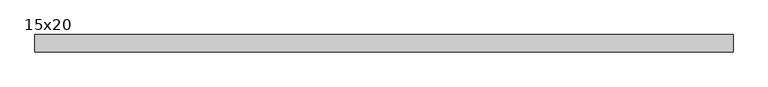
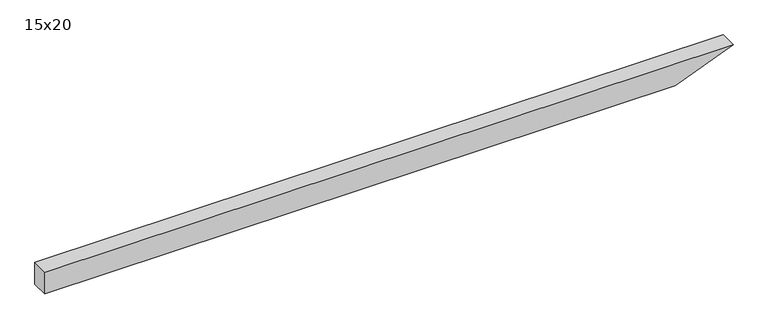
"""IFC4 building model written with IfcOpenShell, lengths in millimetres: beam geometry, 15x20."""

from ifc_helpers import new_model, si_unit, frame, origin, place, context, project, spatial, polyline, outline, extrude, source, transform, mapped, element, save


def beam_15x20_31fa0ad0(model_context):
    return source(origin(), model_context, "Body", "SweptSolid", [
        extrude(outline(polyline([(100.0, -3019.5), (-100.0, -3019.5), (-100.0, 2467.3), (100.0, 2969.5), (100.0, -3019.5)])), frame((0.0, -75.0, 0.0), z_axis=(0.0, 1.0, 0.0), x_axis=(0.0, 0.0, 1.0)), (0.0, 0.0, 1.0), 150.0),
    ])


if __name__ == "__main__":
    model = new_model("IFC4")
    model_context = context("Model", 3, world=origin())
    ifc_project = project(units=[si_unit("LENGTHUNIT", "METRE", prefix="MILLI")], contexts=[model_context])
    site = spatial("IfcSite", under=ifc_project)
    building = spatial("IfcBuilding", under=site)
    placement = place(None, origin())
    beam_15x20_shape = beam_15x20_31fa0ad0(model_context)
    element("IfcBeam", 1, ObjectType="15x20", at=placement, inside=building, context=model_context, shape_type="MappedRepresentation", body=[
        mapped(beam_15x20_shape, transform((0.0, 0.0, 0.0), x_axis=(1.0, 0.0, 0.0), y_axis=(0.0, 1.0, 0.0), z_axis=(0.0, 0.0, 1.0))),
    ])
    save(model, "model.ifc")
